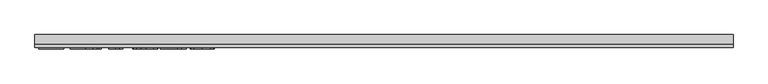
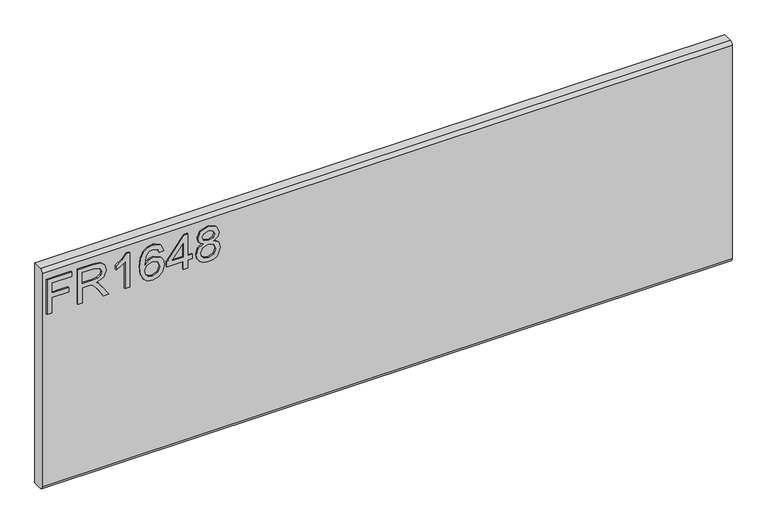
"""IFC4 building model written with IfcOpenShell, lengths in millimetres: furniture geometry."""

from ifc_helpers import new_model, si_unit, frame, origin, place, context, project, spatial, polyline, circle_curve, outline, extrude, source, transform, mapped, element, save
from ifc_brep_helpers import plane_surface, cylinder_surface, advanced_brep


def furniture_80e46793(model_context):
    return source(origin(), model_context, "Body", "SolidModel", [
        extrude(outline(polyline([(476.25, -596.2729953), (476.25, -588.2992757), (505.1547336, -588.2992757), (505.1547336, -558.3978271), (513.1284532, -558.3978271), (513.1284532, -588.2992757), (532.0660373, -588.2992757), (532.0660373, -553.4142524), (540.0397569, -553.4142524), (540.0397569, -596.2729953), (476.25, -596.2729953)])), frame((0.0, -15.0812439, 0.0), z_axis=(0.0, 1.0, 0.0), x_axis=(0.0, 0.0, 1.0)), (0.0, 0.0, 1.0), 2.38125),
        extrude(outline(polyline([(476.25, -542.4503879), (476.25, -534.4766683), (504.1580187, -534.4766683), (504.1580187, -524.8521395), (503.8776926, -520.2267592), (502.3592596, -516.4345703), (498.22445, -512.2218923), (489.4720468, -506.2260289), (476.25, -497.9252622), (476.25, -488.6589278), (493.536775, -499.2957452), (501.7440996, -505.7588187), (505.1547336, -510.290757), (511.0883023, -496.936334), (522.5816716, -492.6146403), (532.2295609, -495.2232302), (538.3188663, -502.2002349), (540.0397569, -514.9628584), (540.0397569, -542.4503879), (476.25, -542.4503879)]), holes=[polyline([(512.1317383, -534.4766683), (532.0660373, -534.4766683), (532.0660373, -514.6202376), (529.3094975, -503.9600597), (522.2857719, -500.5883599), (516.8739211, -502.3559716), (513.2608294, -507.5264304), (512.1317383, -516.6292412), (512.1317383, -534.4766683)])]), frame((0.0, -15.0812439, 0.0), z_axis=(0.0, 1.0, 0.0), x_axis=(0.0, 0.0, 1.0)), (0.0, 0.0, 1.0), 2.38125),
        extrude(outline(polyline([(476.25, -451.7493273), (540.0397569, -451.7493273), (540.0397569, -456.8886387), (531.5521062, -463.9824459), (524.0923177, -475.6704861), (516.5546609, -475.6704861), (520.5804549, -467.2762774), (525.9611582, -459.7230469), (476.25, -459.7230469), (476.25, -451.7493273)])), frame((0.0, -15.0812439, 0.0), z_axis=(0.0, 1.0, 0.0), x_axis=(0.0, 0.0, 1.0)), (0.0, 0.0, 1.0), 2.38125),
        extrude(outline(polyline([(523.0956028, -391.9464301), (535.538966, -397.8332778), (540.0397569, -410.4323777), (538.2215308, -419.6870318), (532.7668525, -426.8314534), (521.9081103, -432.0642069), (506.0268592, -433.8084581), (491.9015395, -432.237464), (482.4171738, -427.5244818), (477.0442572, -420.3197122), (475.253285, -411.273356), (477.955317, -400.8234227), (485.7421526, -393.5816656), (496.7449512, -390.9497152), (504.9172351, -392.3474522), (511.4309231, -396.5406631), (517.115313, -410.089757), (515.0362279, -418.803226), (508.6743833, -425.8347385), (522.8853582, -423.5687693), (530.1349021, -418.1257713), (532.0660373, -410.9307352), (528.7488454, -402.9414419), (522.0988878, -399.9201497), (523.0956028, -391.9464301)]), holes=[polyline([(496.8695406, -425.8347385), (505.75432, -421.8712392), (509.1415934, -412.2233499), (505.75432, -402.4508713), (496.4801988, -398.9234348), (486.7933754, -402.4975923), (483.2270047, -411.8963028), (484.9478953, -419.0835521), (489.9626174, -423.9892585), (496.8695406, -425.8347385)])]), frame((0.0, -15.0812439, 0.0), z_axis=(0.0, 1.0, 0.0), x_axis=(0.0, 0.0, 1.0)), (0.0, 0.0, 1.0), 2.38125),
        extrude(outline(polyline([(476.25, -358.0581217), (476.25, -350.0844021), (491.2007243, -350.0844021), (491.2007243, -342.1106825), (499.1744439, -342.1106825), (499.1744439, -350.0844021), (539.043042, -350.0844021), (539.043042, -356.0646918), (499.1744439, -386.9628554), (491.2007243, -386.9628554), (491.2007243, -358.0581217), (476.25, -358.0581217)]), holes=[polyline([(499.1744439, -358.0581217), (499.1744439, -377.1514425), (523.8119916, -358.0581217), (499.1744439, -358.0581217)])]), frame((0.0, -15.0812439, 0.0), z_axis=(0.0, 1.0, 0.0), x_axis=(0.0, 0.0, 1.0)), (0.0, 0.0, 1.0), 2.38125),
        extrude(outline(polyline([(511.3842021, -323.5157192), (505.5907964, -332.1123856), (495.0318474, -335.1336778), (487.2742125, -333.6931133), (480.9143145, -329.3714195), (476.6685424, -322.6981014), (475.253285, -314.2026638), (476.6627023, -305.7072262), (480.890954, -299.0339082), (494.813816, -293.2716498), (505.1313731, -296.1761395), (511.3842021, -304.6560034), (516.313269, -297.5933436), (523.8275653, -295.2650797), (535.3209346, -300.4978332), (540.0397569, -314.3116795), (535.4299503, -328.0009365), (524.0455967, -333.1402479), (516.3366295, -330.7808368), (511.3842021, -323.5157192)]), holes=[polyline([(495.3121735, -327.1599582), (503.7686769, -323.7882584), (507.1481635, -314.4051216), (503.7219559, -304.7494455), (495.0629947, -301.2453695), (486.5675571, -304.6404298), (483.2270047, -314.1403692), (484.8155191, -321.1173738), (489.3085232, -325.8284093), (495.3121735, -327.1599582)]), polyline([(523.8119916, -325.1665283), (529.6365446, -322.293186), (532.0660373, -314.2026638), (529.5820368, -306.1355022), (523.4537972, -303.2387994), (517.5358022, -306.0420602), (515.1218831, -314.1092218), (517.5513758, -322.339907), (523.8119916, -325.1665283)])]), frame((0.0, -15.0812439, 0.0), z_axis=(0.0, 1.0, 0.0), x_axis=(0.0, 0.0, 1.0)), (0.0, 0.0, 1.0), 2.38125),
        advanced_brep(
        [(603.25, 9.5250061, 558.8), (603.25, -6.7309939, 558.8), (603.25, -12.6999939, 552.831), (603.25, -12.6999939, 158.369), (603.25, -6.7309939, 152.4), (603.25, 9.5250061, 152.4), (-603.25, 9.5250061, 558.8), (-603.25, 9.5250061, 152.4), (-603.25, -6.7309939, 152.4), (-603.25, -12.6999939, 158.369), (-603.25, -12.6999939, 552.8310121), (-603.25, -6.7309939, 558.8)],
        [
            (0, 1),
            (1, 2, circle_curve(frame((603.25, -6.7309939, 552.831), z_axis=(1.0, 0.0, 0.0), x_axis=(0.0, 1.0, 0.0)), 5.969)),
            (2, 3),
            (3, 4, circle_curve(frame((603.25, -6.7309939, 158.369), z_axis=(1.0, 0.0, 0.0), x_axis=(0.0, 1.0, 0.0)), 5.969)),
            (4, 5),
            (5, 0),
            (6, 7),
            (7, 8),
            (8, 9, circle_curve(frame((-603.25, -6.7309939, 158.369), z_axis=(-1.0, 0.0, 0.0), x_axis=(0.0, 1.0, 0.0)), 5.969)),
            (9, 10),
            (10, 11, circle_curve(frame((-603.25, -6.7309939, 552.831), z_axis=(-1.0, 0.0, 0.0), x_axis=(0.0, 1.0, 0.0)), 5.969)),
            (11, 6),
            (0, 6),
            (11, 1),
            (10, 2),
            (9, 3),
            (8, 4),
            (7, 5),
        ],
        [
            plane_surface(frame((603.25, -6.7309939, 558.8), z_axis=(1.0, 0.0, 0.0), x_axis=(0.0, -1.0, 0.0))),
            plane_surface(frame((-603.25, -6.7309939, 558.8), z_axis=(-1.0, 0.0, 0.0), x_axis=(0.0, 1.0, 0.0))),
            plane_surface(frame((603.25, 9.5250061, 558.8), z_axis=(0.0, 0.0, 1.0), x_axis=(-1.0, 0.0, 0.0))),
            cylinder_surface(frame((-603.25, -6.7309939, 552.831), z_axis=(1.0, 0.0, 0.0), x_axis=(0.0, 1.0, 0.0)), 5.969),
            plane_surface(frame((603.25, -12.6999939, 552.8310121), z_axis=(0.0, -1.0, 0.0), x_axis=(-1.0, 0.0, 0.0))),
            cylinder_surface(frame((-603.25, -6.7309939, 158.369), z_axis=(1.0, 0.0, 0.0), x_axis=(0.0, 1.0, 0.0)), 5.969),
            plane_surface(frame((603.25, -6.7309939, 152.4), z_axis=(0.0, 0.0, -1.0), x_axis=(-1.0, 0.0, 0.0))),
            plane_surface(frame((603.25, 9.5250061, 152.4), z_axis=(0.0, 1.0, 0.0), x_axis=(-1.0, 0.0, 0.0))),
        ],
        [
            (0, [[1, 2, 3, 4, 5, 6]]),
            (1, [[7, 8, 9, 10, 11, 12]]),
            (2, [[-1, 13, -12, 14]]),
            (3, [[-2, -14, -11, 15]]),
            (4, [[-3, -15, -10, 16]]),
            (5, [[-4, -16, -9, 17]]),
            (6, [[-5, -17, -8, 18]]),
            (7, [[-6, -18, -7, -13]]),
        ],
    ),
    ])


if __name__ == "__main__":
    model = new_model("IFC4")
    model_context = context("Model", 3, world=origin())
    ifc_project = project(units=[si_unit("LENGTHUNIT", "METRE", prefix="MILLI")], contexts=[model_context])
    site = spatial("IfcSite", under=ifc_project)
    building = spatial("IfcBuilding", under=site)
    placement = place(None, origin())
    furniture_shape = furniture_80e46793(model_context)
    element("IfcFurniture", 1, at=placement, inside=building, context=model_context, shape_type="MappedRepresentation", body=[
        mapped(furniture_shape, transform((0.0, 0.0, 0.0), x_axis=(1.0, 0.0, 0.0), y_axis=(0.0, 1.0, 0.0), z_axis=(0.0, 0.0, 1.0))),
    ])
    save(model, "model.ifc")
